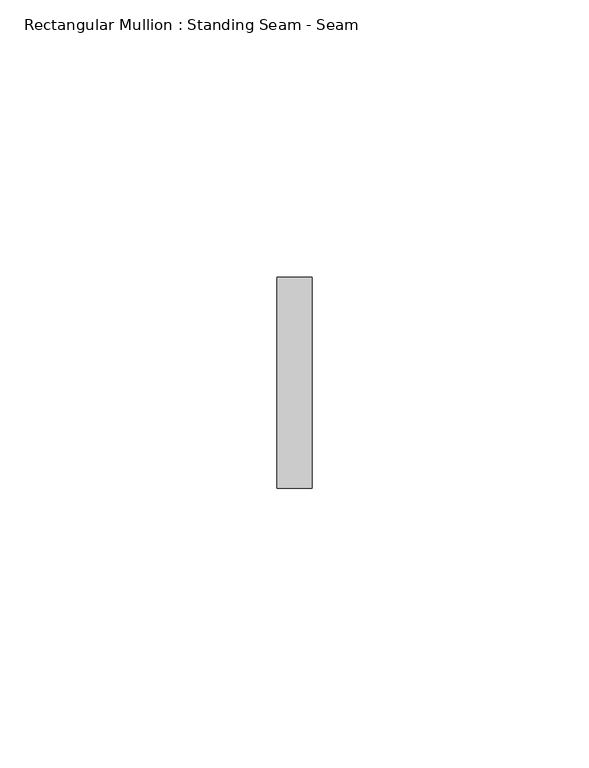
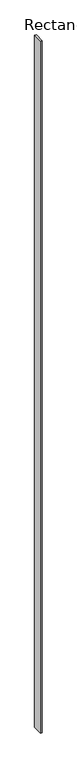
"""IFC4 building model written with IfcOpenShell, lengths in millimetres: member geometry, Rectangular Mullion : Standing Seam - Seam."""

import ifcopenshell
import ifcopenshell.guid

model = None  # the IFC model being written
_history = None  # IfcOwnerHistory: only IFC2X3 demands one
_inside = {}  # id of a spatial element -> (the spatial element, [elements in it])
_under = {}  # id of a project, library or spatial element -> (it, [spatial elements below it])
_declared = {}  # id of a project -> (the project, [libraries it declares])
_typed = {}  # id of a type object -> (the type object, [elements of that type])
_made_of = {}  # id of a material, layer set ... -> (it, [elements and type objects made of it])


def new_model(schema):
    """Start an empty IFC model of exactly this schema.

    Asked for "IFC4X3", IfcOpenShell would pick the latest addendum, in which some entities
    have other attributes; the version numbers below select the first issue.
    IFC2X3 requires an IfcOwnerHistory on every rooted entity: one is made here for all.
    """
    global model, _history
    if schema == "IFC4X3":
        model = ifcopenshell.file(schema_version=(4, 3, 0, 0))
    else:
        model = ifcopenshell.file(schema=schema)
    _inside.clear()
    _under.clear()
    _declared.clear()
    _typed.clear()
    _made_of.clear()
    _history = None
    if model.schema == "IFC2X3":
        org = make("IfcOrganization", Name="unknown")
        user = make(
            "IfcPersonAndOrganization",
            ThePerson=make("IfcPerson", FamilyName="unknown"),
            TheOrganization=org,
        )
        app = make(
            "IfcApplication",
            ApplicationDeveloper=org,
            Version="unknown",
            ApplicationFullName="unknown",
            ApplicationIdentifier="unknown",
        )
        _history = make(
            "IfcOwnerHistory",
            OwningUser=user,
            OwningApplication=app,
            ChangeAction="ADDED",
            CreationDate=0,
        )
    return model


def make(cls, **values):
    """One entity of the class cls with the attributes given. An attribute that is None is left unset."""
    return model.create_entity(
        cls, **{name: value for name, value in values.items() if value is not None}
    )


def rooted(cls, **values):
    """An entity with a GlobalId (a new one), such as an element, a storey or a relation."""
    return make(cls, GlobalId=ifcopenshell.guid.new(), OwnerHistory=_history, **values)


def si_unit(unit_type, name, prefix=None):
    """IfcSIUnit, for example si_unit("LENGTHUNIT", "METRE", prefix="MILLI")."""
    return make("IfcSIUnit", UnitType=unit_type, Prefix=prefix, Name=name)


def assignment(units):
    """IfcUnitAssignment: the units of a project."""
    return None if units is None else make("IfcUnitAssignment", Units=units)


def point(xyz):
    """IfcCartesianPoint."""
    return None if xyz is None else make("IfcCartesianPoint", Coordinates=xyz)


def direction(xyz):
    """IfcDirection."""
    return None if xyz is None else make("IfcDirection", DirectionRatios=xyz)


def frame(location, z_axis=None, x_axis=None):
    """IfcAxis2Placement3D, a coordinate frame: its origin and axes. An axis left out is left unset."""
    return make(
        "IfcAxis2Placement3D",
        Location=point(location),
        Axis=direction(z_axis),
        RefDirection=direction(x_axis),
    )


def origin():
    """The frame at (0, 0, 0) with its axes left unset."""
    return frame((0.0, 0.0, 0.0))


def place(relative_to, where):
    """IfcLocalPlacement: puts the frame where relative to a parent placement (None: the world)."""
    return make(
        "IfcLocalPlacement", PlacementRelTo=relative_to, RelativePlacement=where
    )


def context(
    kind, dimensions, precision=None, world=None, true_north=None, identifier=None
):
    """IfcGeometricRepresentationContext, for example the 3D "Model" context."""
    return make(
        "IfcGeometricRepresentationContext",
        ContextIdentifier=identifier,
        ContextType=kind,
        CoordinateSpaceDimension=dimensions,
        Precision=precision,
        WorldCoordinateSystem=world,
        TrueNorth=true_north,
    )


def project(units=None, contexts=None):
    """IfcProject with its units and contexts."""
    return rooted(
        "IfcProject",
        Name="project",
        RepresentationContexts=contexts,
        UnitsInContext=assignment(units),
    )


def spatial(cls, under=None, at=None, **own):
    """A site, building, storey or space (cls), placed at a placement, below another one or the project."""
    s = rooted(cls, ObjectPlacement=at, **own)
    if under is not None:
        _under.setdefault(under.id(), (under, []))[1].append(s)
    return s


def polyline(points):
    """IfcPolyline through the points."""
    return make("IfcPolyline", Points=[point(p) for p in points])


def outline(outer, holes=None, kind="AREA"):
    """IfcArbitraryClosedProfileDef: a profile drawn as a closed curve; with holes, ...WithVoids."""
    if holes is None:
        return make("IfcArbitraryClosedProfileDef", ProfileType=kind, OuterCurve=outer)
    return make(
        "IfcArbitraryProfileDefWithVoids",
        ProfileType=kind,
        OuterCurve=outer,
        InnerCurves=holes,
    )


def extrude(swept, where, along, depth):
    """IfcExtrudedAreaSolid: the profile swept, set in the frame where, extruded along a direction by depth."""
    return make(
        "IfcExtrudedAreaSolid",
        SweptArea=swept,
        Position=where,
        ExtrudedDirection=direction(along),
        Depth=depth,
    )


def shape(context_of_items, identifier, shape_type, items):
    """IfcShapeRepresentation: the items that make up one representation, for example the "Body"."""
    return make(
        "IfcShapeRepresentation",
        ContextOfItems=context_of_items,
        RepresentationIdentifier=identifier,
        RepresentationType=shape_type,
        Items=items,
    )


def source(mapping_origin, context_of_items, identifier, shape_type, items):
    """IfcRepresentationMap: a shape defined once, which mapped items show again and again."""
    return make(
        "IfcRepresentationMap",
        MappingOrigin=mapping_origin,
        MappedRepresentation=shape(context_of_items, identifier, shape_type, items),
    )


def transform(
    local_origin,
    x_axis=None,
    y_axis=None,
    z_axis=None,
    scale=None,
    scale2=None,
    scale3=None,
    uniform=True,
):
    """IfcCartesianTransformationOperator3D, or its non-uniform kind. x_axis, y_axis, z_axis: its Axis1, 2, 3."""
    if uniform:
        return make(
            "IfcCartesianTransformationOperator3D",
            Axis1=direction(x_axis),
            Axis2=direction(y_axis),
            LocalOrigin=point(local_origin),
            Scale=scale,
            Axis3=direction(z_axis),
        )
    return make(
        "IfcCartesianTransformationOperator3DnonUniform",
        Axis1=direction(x_axis),
        Axis2=direction(y_axis),
        LocalOrigin=point(local_origin),
        Scale=scale,
        Axis3=direction(z_axis),
        Scale2=scale2,
        Scale3=scale3,
    )


def mapped(mapping_source, mapping_target):
    """IfcMappedItem: shows the shape of a source again, moved by a transform."""
    return make(
        "IfcMappedItem", MappingSource=mapping_source, MappingTarget=mapping_target
    )


def made_of(thing, what):
    """Note that an element or type object is made of a material, layer set ...; save() writes the relation."""
    if what is not None:
        _made_of.setdefault(what.id(), (what, []))[1].append(thing)
    return thing


def element(
    cls,
    number,
    at=None,
    inside=None,
    cuts=None,
    type_object=None,
    material=None,
    context=None,
    identifier="Body",
    shape_type=None,
    held_by="IfcProductDefinitionShape",
    body=None,
    shapes=None,
    **own,
):
    """One element of the class cls, such as IfcWall. Its Tag is "e" and its number.

    at: its placement. inside: the storey or other place that contains it. cuts: it is an
    opening in that element (IfcRelVoidsElement). A single representation is given by context,
    identifier, shape_type and body (its items); several are given by shapes. held_by: the class
    of the entity that holds the representations. save() writes the other relations.
    """
    e = rooted(cls, Tag="e%d" % number, ObjectPlacement=at, **own)
    if body is not None:
        shapes = [shape(context, identifier, shape_type, body)]
    if shapes is not None:
        e.Representation = make(held_by, Representations=shapes)
    if inside is not None:
        _inside.setdefault(inside.id(), (inside, []))[1].append(e)
    if cuts is not None:
        rooted(
            "IfcRelVoidsElement", RelatingBuildingElement=cuts, RelatedOpeningElement=e
        )
    if type_object is not None:
        _typed.setdefault(type_object.id(), (type_object, []))[1].append(e)
    return made_of(e, material)


def aggregate(whole, parts):
    """IfcRelAggregates: a whole, such as a stair, and the parts it consists of."""
    return rooted("IfcRelAggregates", RelatingObject=whole, RelatedObjects=parts)


def save(model, path):
    """Write the relations noted so far, then the file.

    IfcRelAggregates (storeys below a building ...), IfcRelContainedInSpatialStructure (elements
    in a storey), IfcRelDefinesByType, IfcRelAssociatesMaterial and IfcRelDeclares: one each for
    every whole, place, type object, material and project.
    """
    for whole, parts in _under.values():
        aggregate(whole, parts)
    for where, things in _inside.values():
        rooted(
            "IfcRelContainedInSpatialStructure",
            RelatedElements=things,
            RelatingStructure=where,
        )
    for kind, things in _typed.values():
        rooted("IfcRelDefinesByType", RelatedObjects=things, RelatingType=kind)
    for what, things in _made_of.values():
        rooted("IfcRelAssociatesMaterial", RelatedObjects=things, RelatingMaterial=what)
    for by, libraries in _declared.values():
        rooted("IfcRelDeclares", RelatingContext=by, RelatedDefinitions=libraries)
    model.write(path)


def rectangular_mullion_standing_seam_seam_bf8e7e31(model_context):
    return source(origin(), model_context, "Body", "SweptSolid", [
        extrude(outline(polyline([(3.175, 41.275), (3.175, 3.175), (-3.175, 3.175), (-3.175, 41.275), (3.175, 41.275)])), frame((0.0, 0.0, -2805.3979163), z_axis=(0.0, 0.0, 1.0), x_axis=(1.0, 0.0, 0.0)), (0.0, 0.0, 1.0), 2805.3979163),
    ])


if __name__ == "__main__":
    model = new_model("IFC4")
    model_context = context("Model", 3, world=origin())
    ifc_project = project(units=[si_unit("LENGTHUNIT", "METRE", prefix="MILLI")], contexts=[model_context])
    site = spatial("IfcSite", under=ifc_project)
    building = spatial("IfcBuilding", under=site)
    placement = place(None, origin())
    rectangular_mullion_standing_seam_seam_shape = rectangular_mullion_standing_seam_seam_bf8e7e31(model_context)
    element("IfcMember", 1, ObjectType="Rectangular Mullion : Standing Seam - Seam", at=placement, inside=building, context=model_context, shape_type="MappedRepresentation", body=[
        mapped(rectangular_mullion_standing_seam_seam_shape, transform((0.0, 0.0, 0.0), x_axis=(1.0, 0.0, 0.0), y_axis=(0.0, 1.0, 0.0), z_axis=(0.0, 0.0, 1.0))),
    ])
    save(model, "model.ifc")
